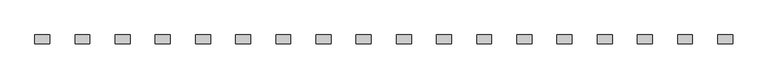
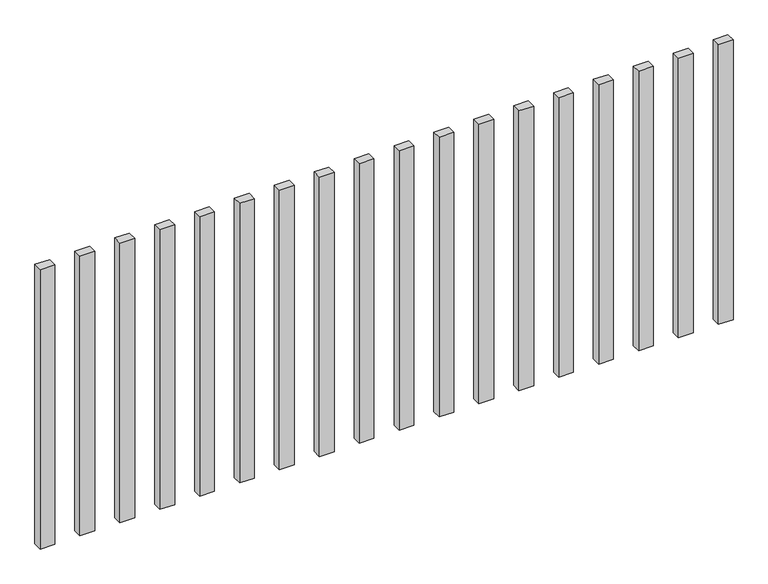
"""IFC4 building model written with IfcOpenShell, lengths in millimetres: railing geometry."""

from ifc_helpers import new_model, si_unit, origin, origin_with_axes, place, context, project, spatial, polyline, outline, extrude, source, transform, mapped, element, save


def railing_5452b621(model_context):
    return source(origin(), model_context, "Body", "SweptSolid", [
        extrude(outline(polyline([(-1107.5700772, -95944.0267127), (-1107.5700772, -95914.0267127), (-1057.5700772, -95914.0267127), (-1057.5700772, -95944.0267127), (-1107.5700772, -95944.0267127)])), origin_with_axes(), (0.0, 0.0, 1.0), 1000.0),
        extrude(outline(polyline([(-1242.5700772, -95944.0267127), (-1242.5700772, -95914.0267127), (-1192.5700772, -95914.0267127), (-1192.5700772, -95944.0267127), (-1242.5700772, -95944.0267127)])), origin_with_axes(), (0.0, 0.0, 1.0), 1000.0),
        extrude(outline(polyline([(-1377.5700772, -95944.0267127), (-1377.5700772, -95914.0267127), (-1327.5700772, -95914.0267127), (-1327.5700772, -95944.0267127), (-1377.5700772, -95944.0267127)])), origin_with_axes(), (0.0, 0.0, 1.0), 1000.0),
        extrude(outline(polyline([(-1512.5700772, -95944.0267127), (-1512.5700772, -95914.0267127), (-1462.5700772, -95914.0267127), (-1462.5700772, -95944.0267127), (-1512.5700772, -95944.0267127)])), origin_with_axes(), (0.0, 0.0, 1.0), 1000.0),
        extrude(outline(polyline([(-1647.5700772, -95944.0267127), (-1647.5700772, -95914.0267127), (-1597.5700772, -95914.0267127), (-1597.5700772, -95944.0267127), (-1647.5700772, -95944.0267127)])), origin_with_axes(), (0.0, 0.0, 1.0), 1000.0),
        extrude(outline(polyline([(-1782.5700772, -95944.0267127), (-1782.5700772, -95914.0267127), (-1732.5700772, -95914.0267127), (-1732.5700772, -95944.0267127), (-1782.5700772, -95944.0267127)])), origin_with_axes(), (0.0, 0.0, 1.0), 1000.0),
        extrude(outline(polyline([(-1917.5700772, -95944.0267127), (-1917.5700772, -95914.0267127), (-1867.5700772, -95914.0267127), (-1867.5700772, -95944.0267127), (-1917.5700772, -95944.0267127)])), origin_with_axes(), (0.0, 0.0, 1.0), 1000.0),
        extrude(outline(polyline([(-2052.5700772, -95944.0267127), (-2052.5700772, -95914.0267127), (-2002.5700772, -95914.0267127), (-2002.5700772, -95944.0267127), (-2052.5700772, -95944.0267127)])), origin_with_axes(), (0.0, 0.0, 1.0), 1000.0),
        extrude(outline(polyline([(-2187.5700772, -95944.0267127), (-2187.5700772, -95914.0267127), (-2137.5700772, -95914.0267127), (-2137.5700772, -95944.0267127), (-2187.5700772, -95944.0267127)])), origin_with_axes(), (0.0, 0.0, 1.0), 1000.0),
        extrude(outline(polyline([(-2322.5700772, -95944.0267127), (-2322.5700772, -95914.0267127), (-2272.5700772, -95914.0267127), (-2272.5700772, -95944.0267127), (-2322.5700772, -95944.0267127)])), origin_with_axes(), (0.0, 0.0, 1.0), 1000.0),
        extrude(outline(polyline([(-2457.5700772, -95944.0267127), (-2457.5700772, -95914.0267127), (-2407.5700772, -95914.0267127), (-2407.5700772, -95944.0267127), (-2457.5700772, -95944.0267127)])), origin_with_axes(), (0.0, 0.0, 1.0), 1000.0),
        extrude(outline(polyline([(-2592.5700772, -95944.0267127), (-2592.5700772, -95914.0267127), (-2542.5700772, -95914.0267127), (-2542.5700772, -95944.0267127), (-2592.5700772, -95944.0267127)])), origin_with_axes(), (0.0, 0.0, 1.0), 1000.0),
        extrude(outline(polyline([(-2727.5700772, -95944.0267127), (-2727.5700772, -95914.0267127), (-2677.5700772, -95914.0267127), (-2677.5700772, -95944.0267127), (-2727.5700772, -95944.0267127)])), origin_with_axes(), (0.0, 0.0, 1.0), 1000.0),
        extrude(outline(polyline([(-2862.5700772, -95944.0267127), (-2862.5700772, -95914.0267127), (-2812.5700772, -95914.0267127), (-2812.5700772, -95944.0267127), (-2862.5700772, -95944.0267127)])), origin_with_axes(), (0.0, 0.0, 1.0), 1000.0),
        extrude(outline(polyline([(-2997.5700772, -95944.0267127), (-2997.5700772, -95914.0267127), (-2947.5700772, -95914.0267127), (-2947.5700772, -95944.0267127), (-2997.5700772, -95944.0267127)])), origin_with_axes(), (0.0, 0.0, 1.0), 1000.0),
        extrude(outline(polyline([(-3132.5700772, -95944.0267127), (-3132.5700772, -95914.0267127), (-3082.5700772, -95914.0267127), (-3082.5700772, -95944.0267127), (-3132.5700772, -95944.0267127)])), origin_with_axes(), (0.0, 0.0, 1.0), 1000.0),
        extrude(outline(polyline([(-3267.5700772, -95944.0267127), (-3267.5700772, -95914.0267127), (-3217.5700772, -95914.0267127), (-3217.5700772, -95944.0267127), (-3267.5700772, -95944.0267127)])), origin_with_axes(), (0.0, 0.0, 1.0), 1000.0),
        extrude(outline(polyline([(-3402.5700772, -95944.0267127), (-3402.5700772, -95914.0267127), (-3352.5700772, -95914.0267127), (-3352.5700772, -95944.0267127), (-3402.5700772, -95944.0267127)])), origin_with_axes(), (0.0, 0.0, 1.0), 1000.0),
    ])


if __name__ == "__main__":
    model = new_model("IFC4")
    model_context = context("Model", 3, world=origin())
    ifc_project = project(units=[si_unit("LENGTHUNIT", "METRE", prefix="MILLI")], contexts=[model_context])
    site = spatial("IfcSite", under=ifc_project)
    building = spatial("IfcBuilding", under=site)
    placement = place(None, origin())
    railing_shape = railing_5452b621(model_context)
    element("IfcRailing", 1, at=placement, inside=building, context=model_context, shape_type="MappedRepresentation", body=[
        mapped(railing_shape, transform((0.0, 0.0, 0.0), x_axis=(1.0, 0.0, 0.0), y_axis=(0.0, 1.0, 0.0), z_axis=(0.0, 0.0, 1.0))),
    ])
    save(model, "model.ifc")
